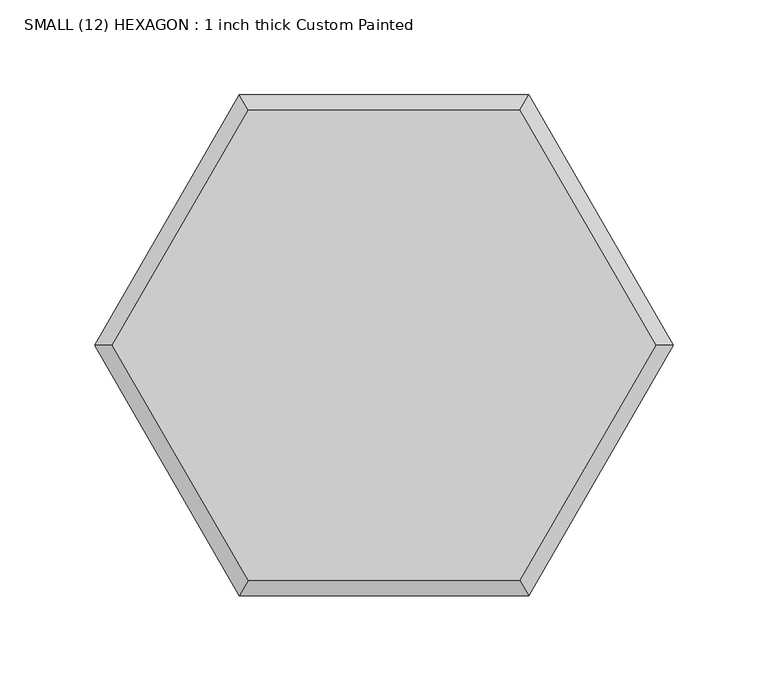
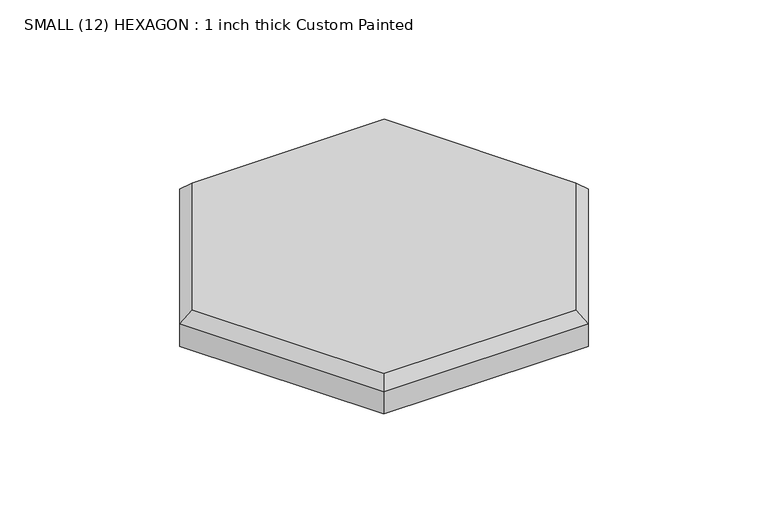
"""IFC4 building model written with IfcOpenShell, lengths in millimetres: proxy geometry, SMALL (12) HEXAGON : 1 inch thick Custom Painted."""

from ifc_helpers import new_model, si_unit, origin, place, context, project, spatial, faceted_brep, source, transform, mapped, element, save


def small_12_hexagon_1_inch_thick_custom_painted_eba3a96d(model_context):
    return source(origin(), model_context, "Body", "Brep", [
        faceted_brep([(-143.161241, 0.0, 25.4), (-71.5806205, -123.9812715, 25.4), (71.5806205, -123.9812715, 25.4), (143.161241, 0.0, 25.4), (71.5806205, 123.9812715, 25.4), (-71.5806205, 123.9812715, 25.4), (76.2, 131.9822715, 0.0), (152.4, 0.0, 0.0), (76.2, -131.9822715, 0.0), (-76.2, -131.9822715, 0.0), (-152.4, 0.0, 0.0), (-76.2, 131.9822715, 0.0), (-76.2, 131.9822715, 17.399), (76.2, 131.9822715, 17.399), (-152.4, 0.0, 17.399), (-76.2, -131.9822715, 17.399), (76.2, -131.9822715, 17.399), (152.4, 0.0, 17.399)], [[[0, 1, 2, 3, 4, 5]], [[6, 7, 8, 9, 10, 11]], [[6, 11, 12, 13]], [[11, 10, 14, 12]], [[10, 9, 15, 14]], [[9, 8, 16, 15]], [[8, 7, 17, 16]], [[7, 6, 13, 17]], [[15, 1, 0, 14]], [[1, 15, 16, 2]], [[2, 16, 17, 3]], [[3, 17, 13, 4]], [[4, 13, 12, 5]], [[14, 0, 5, 12]]]),
    ])


if __name__ == "__main__":
    model = new_model("IFC4")
    model_context = context("Model", 3, world=origin())
    ifc_project = project(units=[si_unit("LENGTHUNIT", "METRE", prefix="MILLI")], contexts=[model_context])
    site = spatial("IfcSite", under=ifc_project)
    building = spatial("IfcBuilding", under=site)
    placement = place(None, origin())
    small_12_hexagon_1_inch_thick_custom_painted_shape = small_12_hexagon_1_inch_thick_custom_painted_eba3a96d(model_context)
    element("IfcBuildingElementProxy", 1, Name="SMALL (12) HEXAGON : 1 inch thick Custom Painted", ObjectType="SMALL (12) HEXAGON : 1 inch thick Custom Painted", at=placement, inside=building, context=model_context, shape_type="MappedRepresentation", body=[
        mapped(small_12_hexagon_1_inch_thick_custom_painted_shape, transform((0.0, 0.0, 0.0), x_axis=(1.0, 0.0, 0.0), y_axis=(0.0, 1.0, 0.0), z_axis=(0.0, 0.0, 1.0))),
    ])
    save(model, "model.ifc")
